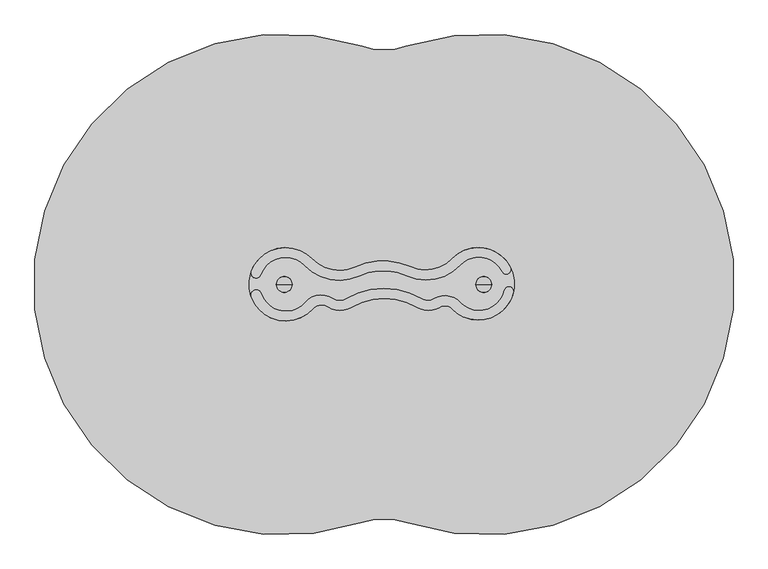
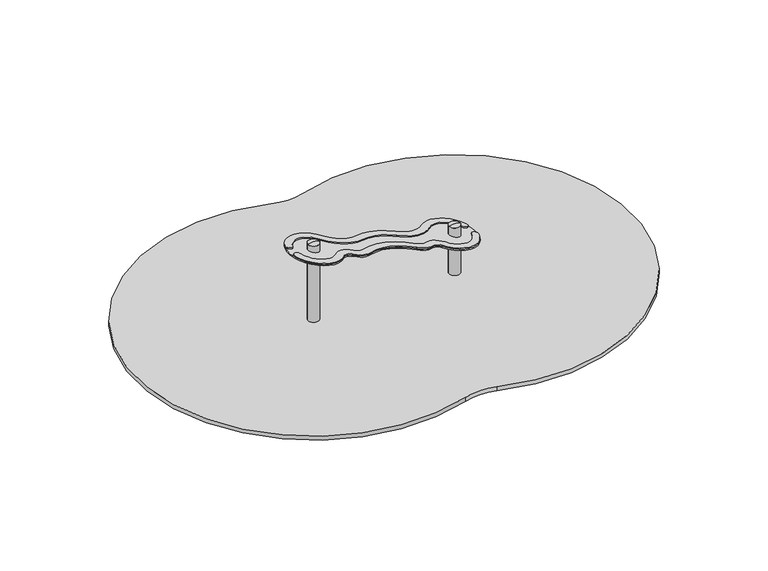
"""IFC4 building model written with IfcOpenShell, lengths in millimetres: furniture geometry."""

from ifc_helpers import new_model, si_unit, point, frame, frame_2d, origin, place, context, project, spatial, polyline, circle_curve, ellipse_curve, trimmed, segment, composite_curve, outline, extrude, source, transform, mapped, element, save
from ifc_brep_helpers import plane_surface, cylinder_surface, revolved_surface, extruded_surface, advanced_brep


def furniture_008db932(model_context):
    return source(origin(), model_context, "Body", "SolidModel", [
        extrude(outline(composite_curve([segment(trimmed(circle_curve(frame_2d((700.0, 0.0)), 55.0), [point((645.0, 0.0))], [point((755.0, 0.0))], False, "CARTESIAN"), True, "CONTINUOUS"), segment(trimmed(circle_curve(frame_2d((700.0, 0.0)), 55.0), [point((755.0, 0.0))], [point((645.0, 0.0))], False, "CARTESIAN"), True, "CONTINUOUS")], self_intersect=False)), frame((0.0, 0.0, -600.0), z_axis=(0.0, 0.0, 1.0), x_axis=(1.0, 0.0, 0.0)), (0.0, 0.0, 1.0), 500.0),
        advanced_brep(
        [(790.0, 150.0, -600.0), (850.0, 90.0, -600.0), (850.0, -90.0, -600.0), (790.0, -150.0, -600.0), (610.0, -150.0, -600.0), (550.0, -90.0, -600.0), (550.0, 90.0, -600.0), (610.0, 150.0, -600.0), (610.0, 150.0, -460.0), (790.0, 150.0, -460.0), (550.0, -90.0, -460.0), (550.0, 90.0, -460.0), (790.0, -150.0, -460.0), (610.0, -150.0, -460.0), (850.0, 90.0, -460.0), (850.0, -90.0, -460.0), (687.7040451, 72.6989403, -250.0), (627.7040451, 12.6989403, -250.0), (627.7040451, -12.6989403, -250.0), (687.7040451, -72.6989403, -250.0), (712.2959549, -72.6989403, -250.0), (772.2959549, -12.6989403, -250.0), (772.2959549, 12.6989403, -250.0), (712.2959549, 72.6989403, -250.0)],
        [
            (0, 1, circle_curve(frame((790.0, 90.0, -600.0), z_axis=(0.0, 0.0, -1.0), x_axis=(1.0, 0.0, 0.0)), 60.0)),
            (1, 2),
            (2, 3, circle_curve(frame((790.0, -90.0, -600.0), z_axis=(0.0, 0.0, -1.0), x_axis=(1.0, 0.0, 0.0)), 60.0)),
            (3, 4),
            (4, 5, circle_curve(frame((610.0, -90.0, -600.0), z_axis=(0.0, 0.0, -1.0), x_axis=(1.0, 0.0, 0.0)), 60.0)),
            (5, 6),
            (6, 7, circle_curve(frame((610.0, 90.0, -600.0), z_axis=(0.0, 0.0, -1.0), x_axis=(1.0, 0.0, 0.0)), 60.0)),
            (7, 0),
            (7, 8),
            (8, 9),
            (9, 0),
            (5, 10),
            (10, 11),
            (11, 6),
            (3, 12),
            (12, 13),
            (13, 4),
            (1, 14),
            (14, 15),
            (15, 2),
            (16, 17, circle_curve(frame((687.7040451, 12.6989403, -250.0), z_axis=(0.0, 0.0, 1.0), x_axis=(1.0, 0.0, 0.0)), 60.0)),
            (17, 18),
            (18, 19, circle_curve(frame((687.7040451, -12.6989403, -250.0), z_axis=(0.0, 0.0, 1.0), x_axis=(1.0, 0.0, 0.0)), 60.0)),
            (19, 20),
            (20, 21, circle_curve(frame((712.2959549, -12.6989403, -250.0), z_axis=(0.0, 0.0, 1.0), x_axis=(1.0, 0.0, 0.0)), 60.0)),
            (21, 22),
            (22, 23, circle_curve(frame((712.2959549, 12.6989403, -250.0), z_axis=(0.0, 0.0, 1.0), x_axis=(1.0, 0.0, 0.0)), 60.0)),
            (23, 16),
            (17, 11),
            (10, 18),
            (19, 13),
            (12, 20),
            (21, 15),
            (14, 22),
            (23, 9),
            (8, 16),
            (11, 8, circle_curve(frame((610.0, 90.0, -460.0), z_axis=(0.0, 0.0, -1.0), x_axis=(1.0, 0.0, 0.0)), 60.0)),
            (13, 10, circle_curve(frame((610.0, -90.0, -460.0), z_axis=(0.0, 0.0, -1.0), x_axis=(1.0, 0.0, 0.0)), 60.0)),
            (15, 12, circle_curve(frame((790.0, -90.0, -460.0), z_axis=(0.0, 0.0, -1.0), x_axis=(1.0, 0.0, 0.0)), 60.0)),
            (9, 14, circle_curve(frame((790.0, 90.0, -460.0), z_axis=(0.0, 0.0, -1.0), x_axis=(1.0, 0.0, 0.0)), 60.0)),
        ],
        [
            plane_surface(frame((523.3670318, 150.0, -600.0), z_axis=(0.0, 0.0, -1.0), x_axis=(1.0, 0.0, 0.0))),
            plane_surface(frame((790.0, 150.0, -460.0), z_axis=(0.0, 1.0, 0.0), x_axis=(0.0, 0.0, -1.0))),
            plane_surface(frame((550.0, 90.0, -460.0), z_axis=(-1.0, 0.0, 0.0), x_axis=(0.0, 0.0, -1.0))),
            plane_surface(frame((610.0, -150.0, -460.0), z_axis=(0.0, -1.0, 0.0), x_axis=(0.0, 0.0, -1.0))),
            plane_surface(frame((850.0, -90.0, -460.0), z_axis=(1.0, 0.0, 0.0), x_axis=(0.0, 0.0, -1.0))),
            plane_surface(frame((700.0, 0.0, -250.0), z_axis=(0.0, 0.0, 1.0), x_axis=(-1.0, 0.0, 0.0))),
            plane_surface(frame((550.0, 0.0, -460.0), z_axis=(-0.9378559633153523, 0.0, 0.3470247715564883), x_axis=(0.0, -1.0, 0.0))),
            plane_surface(frame((700.0, -150.0, -460.0), z_axis=(0.0, -0.9384407279810882, 0.3454402988452927), x_axis=(1.0, 0.0, 0.0))),
            plane_surface(frame((850.0, 0.0, -460.0), z_axis=(0.9378559633153524, 0.0, 0.34702477155648764), x_axis=(0.0, 1.0, 0.0))),
            plane_surface(frame((700.0, 150.0, -460.0), z_axis=(0.0, 0.9384407279810884, 0.3454402988452924), x_axis=(-1.0, 0.0, 0.0))),
            cylinder_surface(frame((610.0, 90.0, -600.0), z_axis=(0.0, 0.0, 1.0), x_axis=(1.0, 0.0, 0.0)), 60.0),
            cylinder_surface(frame((610.0, -90.0, -600.0), z_axis=(0.0, 0.0, 1.0), x_axis=(1.0, 0.0, 0.0)), 60.0),
            cylinder_surface(frame((790.0, -90.0, -600.0), z_axis=(0.0, 0.0, 1.0), x_axis=(1.0, 0.0, 0.0)), 60.0),
            cylinder_surface(frame((790.0, 90.0, -600.0), z_axis=(0.0, 0.0, 1.0), x_axis=(1.0, 0.0, 0.0)), 60.0),
            extruded_surface(trimmed(circle_curve(frame((610.0, 90.0, -460.0), z_axis=(0.0, 0.0, 1.0), x_axis=(1.0, 0.0, 0.0)), 60.0), [point((610.0, 150.0, -460.0))], [point((550.0, 90.0, -460.0))], True, "CARTESIAN"), (77.70404510000003, -77.3010597, 210.0), 236.88261324049472),
            extruded_surface(trimmed(circle_curve(frame((790.0, 90.0, -460.0), z_axis=(0.0, 0.0, 1.0), x_axis=(1.0, 0.0, 0.0)), 60.0), [point((850.0, 90.0, -460.0))], [point((790.0, 150.0, -460.0))], True, "CARTESIAN"), (-77.70404510000003, -77.3010597, 210.0), 236.88261324049472),
            extruded_surface(trimmed(circle_curve(frame((610.0, -90.0, -460.0), z_axis=(0.0, 0.0, 1.0), x_axis=(1.0, 0.0, 0.0)), 60.0), [point((550.0, -90.0, -460.0))], [point((610.0, -150.0, -460.0))], True, "CARTESIAN"), (77.70404510000003, 77.3010597, 210.0), 236.88261324049472),
            extruded_surface(trimmed(circle_curve(frame((790.0, -90.0, -460.0), z_axis=(0.0, 0.0, 1.0), x_axis=(1.0, 0.0, 0.0)), 60.0), [point((790.0, -150.0, -460.0))], [point((850.0, -90.0, -460.0))], True, "CARTESIAN"), (-77.70404510000003, 77.3010597, 210.0), 236.88261324049472),
        ],
        [
            (0, [[1, 2, 3, 4, 5, 6, 7, 8]]),
            (1, [[-8, 9, 10, 11]]),
            (2, [[-6, 12, 13, 14]]),
            (3, [[-4, 15, 16, 17]]),
            (4, [[-2, 18, 19, 20]]),
            (5, [[21, 22, 23, 24, 25, 26, 27, 28]]),
            (6, [[-22, 29, -13, 30]]),
            (7, [[-24, 31, -16, 32]]),
            (8, [[-26, 33, -19, 34]]),
            (9, [[-28, 35, -10, 36]]),
            (10, [[-7, -14, 37, -9]]),
            (11, [[-5, -17, 38, -12]]),
            (12, [[-3, -20, 39, -15]]),
            (13, [[-1, -11, 40, -18]]),
            (14, [[-21, -36, -37, -29]]),
            (15, [[-27, -34, -40, -35]]),
            (16, [[-23, -30, -38, -31]]),
            (17, [[-25, -32, -39, -33]]),
        ],
    ),
        extrude(outline(composite_curve([segment(trimmed(circle_curve(frame_2d((-700.0, 0.0)), 55.0), [point((-755.0, 0.0))], [point((-645.0, 0.0))], False, "CARTESIAN"), True, "CONTINUOUS"), segment(trimmed(circle_curve(frame_2d((-700.0, 0.0)), 55.0), [point((-645.0, 0.0))], [point((-755.0, 0.0))], False, "CARTESIAN"), True, "CONTINUOUS")], self_intersect=False)), frame((0.0, 0.0, -600.0), z_axis=(0.0, 0.0, 1.0), x_axis=(1.0, 0.0, 0.0)), (0.0, 0.0, 1.0), 500.0),
        advanced_brep(
        [(-610.0, 150.0, -600.0), (-550.0, 90.0, -600.0), (-550.0, -90.0, -600.0), (-610.0, -150.0, -600.0), (-790.0, -150.0, -600.0), (-850.0, -90.0, -600.0), (-850.0, 90.0, -600.0), (-790.0, 150.0, -600.0), (-790.0, 150.0, -460.0), (-610.0, 150.0, -460.0), (-850.0, -90.0, -460.0), (-850.0, 90.0, -460.0), (-610.0, -150.0, -460.0), (-790.0, -150.0, -460.0), (-550.0, 90.0, -460.0), (-550.0, -90.0, -460.0), (-712.2959549, 72.6989403, -250.0), (-772.2959549, 12.6989403, -250.0), (-772.2959549, -12.6989403, -250.0), (-712.2959549, -72.6989403, -250.0), (-687.7040451, -72.6989403, -250.0), (-627.7040451, -12.6989403, -250.0), (-627.7040451, 12.6989403, -250.0), (-687.7040451, 72.6989403, -250.0)],
        [
            (0, 1, circle_curve(frame((-610.0, 90.0, -600.0), z_axis=(0.0, 0.0, -1.0), x_axis=(1.0, 0.0, 0.0)), 60.0)),
            (1, 2),
            (2, 3, circle_curve(frame((-610.0, -90.0, -600.0), z_axis=(0.0, 0.0, -1.0), x_axis=(1.0, 0.0, 0.0)), 60.0)),
            (3, 4),
            (4, 5, circle_curve(frame((-790.0, -90.0, -600.0), z_axis=(0.0, 0.0, -1.0), x_axis=(1.0, 0.0, 0.0)), 60.0)),
            (5, 6),
            (6, 7, circle_curve(frame((-790.0, 90.0, -600.0), z_axis=(0.0, 0.0, -1.0), x_axis=(1.0, 0.0, 0.0)), 60.0)),
            (7, 0),
            (7, 8),
            (8, 9),
            (9, 0),
            (5, 10),
            (10, 11),
            (11, 6),
            (3, 12),
            (12, 13),
            (13, 4),
            (1, 14),
            (14, 15),
            (15, 2),
            (16, 17, circle_curve(frame((-712.2959549, 12.6989403, -250.0), z_axis=(0.0, 0.0, 1.0), x_axis=(1.0, 0.0, 0.0)), 60.0)),
            (17, 18),
            (18, 19, circle_curve(frame((-712.2959549, -12.6989403, -250.0), z_axis=(0.0, 0.0, 1.0), x_axis=(1.0, 0.0, 0.0)), 60.0)),
            (19, 20),
            (20, 21, circle_curve(frame((-687.7040451, -12.6989403, -250.0), z_axis=(0.0, 0.0, 1.0), x_axis=(1.0, 0.0, 0.0)), 60.0)),
            (21, 22),
            (22, 23, circle_curve(frame((-687.7040451, 12.6989403, -250.0), z_axis=(0.0, 0.0, 1.0), x_axis=(1.0, 0.0, 0.0)), 60.0)),
            (23, 16),
            (17, 11),
            (10, 18),
            (19, 13),
            (12, 20),
            (21, 15),
            (14, 22),
            (23, 9),
            (8, 16),
            (11, 8, circle_curve(frame((-790.0, 90.0, -460.0), z_axis=(0.0, 0.0, -1.0), x_axis=(1.0, 0.0, 0.0)), 60.0)),
            (13, 10, circle_curve(frame((-790.0, -90.0, -460.0), z_axis=(0.0, 0.0, -1.0), x_axis=(1.0, 0.0, 0.0)), 60.0)),
            (15, 12, circle_curve(frame((-610.0, -90.0, -460.0), z_axis=(0.0, 0.0, -1.0), x_axis=(1.0, 0.0, 0.0)), 60.0)),
            (9, 14, circle_curve(frame((-610.0, 90.0, -460.0), z_axis=(0.0, 0.0, -1.0), x_axis=(1.0, 0.0, 0.0)), 60.0)),
        ],
        [
            plane_surface(frame((-876.6329682, 150.0, -600.0), z_axis=(0.0, 0.0, -1.0), x_axis=(1.0, 0.0, 0.0))),
            plane_surface(frame((-610.0, 150.0, -460.0), z_axis=(0.0, 1.0, 0.0), x_axis=(0.0, 0.0, -1.0))),
            plane_surface(frame((-850.0, 90.0, -460.0), z_axis=(-1.0, 0.0, 0.0), x_axis=(0.0, 0.0, -1.0))),
            plane_surface(frame((-790.0, -150.0, -460.0), z_axis=(0.0, -1.0, 0.0), x_axis=(0.0, 0.0, -1.0))),
            plane_surface(frame((-550.0, -90.0, -460.0), z_axis=(1.0, 0.0, 0.0), x_axis=(0.0, 0.0, -1.0))),
            plane_surface(frame((-700.0, 0.0, -250.0), z_axis=(0.0, 0.0, 1.0), x_axis=(-1.0, 0.0, 0.0))),
            plane_surface(frame((-850.0, 0.0, -460.0), z_axis=(-0.9378559633153523, 0.0, 0.3470247715564883), x_axis=(0.0, -1.0, 0.0))),
            plane_surface(frame((-700.0, -150.0, -460.0), z_axis=(0.0, -0.9384407279810882, 0.3454402988452927), x_axis=(1.0, 0.0, 0.0))),
            plane_surface(frame((-550.0, 0.0, -460.0), z_axis=(0.9378559633153524, 0.0, 0.34702477155648764), x_axis=(0.0, 1.0, 0.0))),
            plane_surface(frame((-700.0, 150.0, -460.0), z_axis=(0.0, 0.9384407279810884, 0.3454402988452924), x_axis=(-1.0, 0.0, 0.0))),
            cylinder_surface(frame((-790.0, 90.0, -600.0), z_axis=(0.0, 0.0, 1.0), x_axis=(1.0, 0.0, 0.0)), 60.0),
            cylinder_surface(frame((-790.0, -90.0, -600.0), z_axis=(0.0, 0.0, 1.0), x_axis=(1.0, 0.0, 0.0)), 60.0),
            cylinder_surface(frame((-610.0, -90.0, -600.0), z_axis=(0.0, 0.0, 1.0), x_axis=(1.0, 0.0, 0.0)), 60.0),
            cylinder_surface(frame((-610.0, 90.0, -600.0), z_axis=(0.0, 0.0, 1.0), x_axis=(1.0, 0.0, 0.0)), 60.0),
            extruded_surface(trimmed(circle_curve(frame((-790.0, 90.0, -460.0), z_axis=(0.0, 0.0, 1.0), x_axis=(1.0, 0.0, 0.0)), 60.0), [point((-790.0, 150.0, -460.0))], [point((-850.0, 90.0, -460.0))], True, "CARTESIAN"), (77.70404510000003, -77.3010597, 210.0), 236.88261324049472),
            extruded_surface(trimmed(circle_curve(frame((-610.0, 90.0, -460.0), z_axis=(0.0, 0.0, 1.0), x_axis=(1.0, 0.0, 0.0)), 60.0), [point((-550.0, 90.0, -460.0))], [point((-610.0, 150.0, -460.0))], True, "CARTESIAN"), (-77.70404510000003, -77.3010597, 210.0), 236.88261324049472),
            extruded_surface(trimmed(circle_curve(frame((-790.0, -90.0, -460.0), z_axis=(0.0, 0.0, 1.0), x_axis=(1.0, 0.0, 0.0)), 60.0), [point((-850.0, -90.0, -460.0))], [point((-790.0, -150.0, -460.0))], True, "CARTESIAN"), (77.70404510000003, 77.3010597, 210.0), 236.88261324049472),
            extruded_surface(trimmed(circle_curve(frame((-610.0, -90.0, -460.0), z_axis=(0.0, 0.0, 1.0), x_axis=(1.0, 0.0, 0.0)), 60.0), [point((-610.0, -150.0, -460.0))], [point((-550.0, -90.0, -460.0))], True, "CARTESIAN"), (-77.70404510000003, 77.3010597, 210.0), 236.88261324049472),
        ],
        [
            (0, [[1, 2, 3, 4, 5, 6, 7, 8]]),
            (1, [[-8, 9, 10, 11]]),
            (2, [[-6, 12, 13, 14]]),
            (3, [[-4, 15, 16, 17]]),
            (4, [[-2, 18, 19, 20]]),
            (5, [[21, 22, 23, 24, 25, 26, 27, 28]]),
            (6, [[-22, 29, -13, 30]]),
            (7, [[-24, 31, -16, 32]]),
            (8, [[-26, 33, -19, 34]]),
            (9, [[-28, 35, -10, 36]]),
            (10, [[-7, -14, 37, -9]]),
            (11, [[-5, -17, 38, -12]]),
            (12, [[-3, -20, 39, -15]]),
            (13, [[-1, -11, 40, -18]]),
            (14, [[-21, -36, -37, -29]]),
            (15, [[-27, -34, -40, -35]]),
            (16, [[-23, -30, -38, -31]]),
            (17, [[-25, -32, -39, -33]]),
        ],
    ),
        advanced_brep(
        [(-645.0, 0.0, 800.0), (-755.0, 0.0, 800.0), (-700.0, 0.0, 812.0246565), (-700.0, 0.0, 800.0)],
        [
            (0, 1, circle_curve(frame((-700.0, 0.0, 800.0), z_axis=(0.0, 0.0, 1.0), x_axis=(-1.0, 0.0, 0.0)), 55.0)),
            (1, 2, circle_curve(frame((-704.5450144, 0.0, 701.0177111), z_axis=(0.0, 1.0, 0.0), x_axis=(-1.0, 0.0, 0.0)), 111.0999509)),
            (2, 0, circle_curve(frame((-695.4549856, 0.0, 701.0177111), z_axis=(0.0, 1.0, 0.0), x_axis=(1.0, 0.0, 0.0)), 111.0999509)),
            (1, 0, circle_curve(frame((-700.0, 0.0, 800.0), z_axis=(0.0, 0.0, 1.0), x_axis=(-1.0, 0.0, 0.0)), 55.0)),
            (3, 1),
            (0, 3),
        ],
        [
            revolved_surface(trimmed(ellipse_curve(frame((-704.5450144, 0.0, 701.0177111), z_axis=(0.0, -1.0, 0.0), x_axis=(-1.0, 0.0, 0.0)), 111.0999509, 111.0999509), [point((-700.0, 0.0, 812.0246565))], [point((-755.0, 0.0, 800.0))], True, "CARTESIAN"), (-700.0, 0.0, 419.0), (0.0, 0.0, -1.0)),
            plane_surface(frame((-700.0, 0.0, 800.0), z_axis=(0.0, 0.0, -1.0), x_axis=(-1.0, 0.0, 0.0))),
        ],
        [
            (0, [[1, 2, 3]]),
            (0, [[4, -3, -2]]),
            (1, [[5, -1, 6]]),
            (1, [[-6, -4, -5]]),
        ],
    ),
        advanced_brep(
        [(755.0, 0.0, 500.0), (645.0, 0.0, 500.0), (700.0, 0.0, 512.0246565), (700.0, 0.0, 500.0)],
        [
            (0, 1, circle_curve(frame((700.0, 0.0, 500.0), z_axis=(0.0, 0.0, 1.0), x_axis=(-1.0, 0.0, 0.0)), 55.0)),
            (1, 2, circle_curve(frame((695.4549856, 0.0, 401.0177111), z_axis=(0.0, 1.0, 0.0), x_axis=(-1.0, 0.0, 0.0)), 111.0999509)),
            (2, 0, circle_curve(frame((704.5450144, 0.0, 401.0177111), z_axis=(0.0, 1.0, 0.0), x_axis=(1.0, 0.0, 0.0)), 111.0999509)),
            (1, 0, circle_curve(frame((700.0, 0.0, 500.0), z_axis=(0.0, 0.0, 1.0), x_axis=(-1.0, 0.0, 0.0)), 55.0)),
            (3, 1),
            (0, 3),
        ],
        [
            revolved_surface(trimmed(ellipse_curve(frame((695.4549856, 0.0, 401.0177111), z_axis=(0.0, -1.0, 0.0), x_axis=(-1.0, 0.0, 0.0)), 111.0999509, 111.0999509), [point((700.0, 0.0, 512.0246565))], [point((645.0, 0.0, 500.0))], True, "CARTESIAN"), (700.0, 0.0, 119.0), (0.0, 0.0, -1.0)),
            plane_surface(frame((700.0, 0.0, 500.0), z_axis=(0.0, 0.0, -1.0), x_axis=(-1.0, 0.0, 0.0))),
        ],
        [
            (0, [[1, 2, 3]]),
            (0, [[4, -3, -2]]),
            (1, [[5, -1, 6]]),
            (1, [[-6, -4, -5]]),
        ],
    ),
        extrude(outline(composite_curve([segment(trimmed(circle_curve(frame_2d((-700.0, 0.0)), 1760.0), [point((-153.6585366, -1673.054394))], [point((-153.6585366, 1673.054394))], False, "CARTESIAN"), True, "CONTINUOUS"), segment(trimmed(circle_curve(frame_2d((0.0, 2143.6009423)), 495.0), [point((-153.6585366, 1673.054394))], [point((153.6585366, 1673.054394))], True, "CARTESIAN"), True, "CONTINUOUS"), segment(trimmed(circle_curve(frame_2d((700.0, 0.0)), 1760.0), [point((153.6585366, 1673.054394))], [point((153.6585366, -1673.054394))], False, "CARTESIAN"), True, "CONTINUOUS"), segment(trimmed(circle_curve(frame_2d((0.0, -2143.6009423)), 495.0), [point((153.6585366, -1673.054394))], [point((-153.6585366, -1673.054394))], True, "CARTESIAN"), True, "CONTINUOUS")], self_intersect=False)), frame((0.0, 0.0, -40.0), z_axis=(0.0, 0.0, 1.0), x_axis=(1.0, 0.0, 0.0)), (0.0, 0.0, 1.0), 41.0),
        advanced_brep(
        [(-500.9138058, -172.2449326, 680.4556319), (-931.9915077, -88.7300791, 781.4864023), (-861.3528483, -64.0921722, 764.9309689), (-554.1030181, -126.187979, 692.9214752), (-359.7363195, -98.0879328, 647.3681627), (-261.8919327, -99.3801196, 624.4365804), (260.3005829, -99.2085707, 502.0514236), (353.6393405, -99.3670614, 480.1758161), (534.4058837, -125.1024508, 437.8099433), (844.6596731, -41.8053038, 365.096418), (908.4558251, -57.0262274, 350.1446486), (477.9320883, -171.1154275, 451.0455874), (390.3531326, -160.0431198, 471.5712822), (232.2661683, -161.8259589, 508.6217901), (-230.4242846, -161.5693292, 617.0615742), (-391.8812267, -158.1736699, 654.9018967), (-931.9915077, -88.7300791, 793.8115667), (-500.9138058, -172.2449326, 692.7807963), (-391.8812267, -158.1736699, 667.227061), (-230.4242846, -161.5693292, 629.3867386), (232.2661683, -161.8259589, 520.9469545), (390.3531326, -160.0431198, 483.8964466), (477.9320883, -171.1154275, 463.3707517), (908.4558251, -57.0262274, 362.4698129), (844.6596731, -41.8053038, 377.4215823), (534.4058837, -125.1024508, 450.1351076), (353.6393405, -99.3670614, 492.5009805), (260.3005829, -99.2085707, 514.3765879), (-261.8919327, -99.3801196, 636.7617448), (-359.7363195, -98.0879328, 659.693327), (-554.1030181, -126.187979, 705.2466396), (-861.3528483, -64.0921722, 777.2561333)],
        [
            (0, 1, ellipse_curve(frame((-690.9741721, 1.0245083, 724.9996785), z_axis=(-0.22818475864970214, 0.0, -0.9736178490146825), x_axis=(0.9736178490146825, 0.0, -0.22818475864970225)), 264.1561814, 257.1871731)),
            (1, 2, ellipse_curve(frame((-896.9296045, -75.6730654, 773.2690181), z_axis=(-0.22818475864970214, 0.0, -0.9736178490146825), x_axis=(0.9736178490146825, 0.0, -0.22818475864970225)), 38.4280178, 37.414204)),
            (2, 3, ellipse_curve(frame((-690.1928231, -8.3764134, 724.8165554), z_axis=(0.22818475864970214, 0.0, 0.9736178490146825), x_axis=(-0.9736178490146825, 0.0, 0.22818475864970225)), 184.8774652, 180.0)),
            (3, 4, ellipse_curve(frame((-440.6948473, -224.3642836, 666.3422418), z_axis=(-0.22818475864970214, 0.0, -0.9736178490146825), x_axis=(0.9736178490146825, 0.0, -0.22818475864970225)), 154.0645543, 150.0)),
            (4, 5, ellipse_curve(frame((-309.776464, -20.1622541, 635.6591769), z_axis=(0.22818475864970214, 0.0, 0.9736178490146825), x_axis=(-0.9736178490146825, 0.0, 0.22818475864970225)), 95.0738985, 92.5656446)),
            (5, 6, ellipse_curve(frame((-0.6536684, -531.5601391, 563.2107202), z_axis=(-0.22818475864970214, 0.0, -0.9736178490146825), x_axis=(0.9736178490146825, 0.0, -0.22818475864970225)), 518.6839996, 505.0)),
            (6, 7, ellipse_curve(frame((307.1017615, -21.667918, 491.0827302), z_axis=(0.22818475864970214, 0.0, 0.9736178490146825), x_axis=(-0.9736178490146825, 0.0, 0.22818475864970225)), 93.0240545, 90.5698799)),
            (7, 8, ellipse_curve(frame((428.1447827, -223.7613502, 462.714133), z_axis=(-0.22818475864970214, 0.0, -0.9736178490146825), x_axis=(0.9736178490146825, 0.0, -0.22818475864970225)), 148.9290692, 145.0)),
            (8, 9, ellipse_curve(frame((667.5303098, -1.5020998, 406.6098527), z_axis=(0.22818475864970214, 0.0, 0.9736178490146825), x_axis=(-0.9736178490146825, 0.0, 0.22818475864970225)), 186.5790651, 181.6567081)),
            (9, 10, ellipse_curve(frame((876.6375249, -49.0813978, 357.6018364), z_axis=(-0.22818475864970214, 0.0, -0.9736178490146825), x_axis=(0.9736178490146825, 0.0, -0.22818475864970225)), 33.6838432, 32.7951909)),
            (10, 11, ellipse_curve(frame((661.7529854, 4.5739213, 407.963872), z_axis=(-0.22818475864970214, 0.0, -0.9736178490146825), x_axis=(0.9736178490146825, 0.0, -0.22818475864970225)), 261.1673062, 254.2771509)),
            (11, 12, ellipse_curve(frame((427.3280024, -219.4809781, 462.9055601), z_axis=(0.22818475864970214, 0.0, 0.9736178490146825), x_axis=(-0.9736178490146825, 0.0, 0.22818475864970225)), 71.896792, 70.0)),
            (12, 13, ellipse_curve(frame((309.8399786, -30.6165807, 490.4409801), z_axis=(-0.22818475864970214, 0.0, -0.9736178490146825), x_axis=(0.9736178490146825, 0.0, -0.22818475864970225)), 156.5559935, 152.4257097)),
            (13, 14, ellipse_curve(frame((0.7036333, -553.4939208, 562.8926123), z_axis=(0.22818475864970214, 0.0, 0.9736178490146825), x_axis=(-0.9736178490146825, 0.0, 0.22818475864970225)), 467.3291481, 455.0)),
            (14, 15, ellipse_curve(frame((-308.4073555, -29.3331049, 635.3383018), z_axis=(-0.22818475864970214, 0.0, -0.9736178490146825), x_axis=(0.9736178490146825, 0.0, -0.22818475864970225)), 157.6778885, 153.5180066)),
            (15, 0, ellipse_curve(frame((-438.0991213, -229.5102398, 665.733887), z_axis=(0.22818475864970214, 0.0, 0.9736178490146825), x_axis=(-0.9736178490146825, 0.0, 0.22818475864970225)), 87.3032475, 85.0)),
            (16, 17, ellipse_curve(frame((-690.9741721, 1.0245083, 737.3248428), z_axis=(0.22818475864970214, 0.0, 0.9736178490146825), x_axis=(0.9736178490146825, 0.0, -0.22818475864970225)), 264.1561814, 257.1871731)),
            (17, 18, ellipse_curve(frame((-438.0991213, -229.5102398, 678.0590513), z_axis=(-0.22818475864970214, 0.0, -0.9736178490146825), x_axis=(-0.9736178490146825, 0.0, 0.22818475864970225)), 87.3032475, 85.0)),
            (18, 19, ellipse_curve(frame((-308.4073555, -29.3331049, 647.6634661), z_axis=(0.22818475864970214, 0.0, 0.9736178490146825), x_axis=(0.9736178490146825, 0.0, -0.22818475864970225)), 157.6778885, 153.5180066)),
            (19, 20, ellipse_curve(frame((0.7036333, -553.4939208, 575.2177766), z_axis=(-0.22818475864970214, 0.0, -0.9736178490146825), x_axis=(-0.9736178490146825, 0.0, 0.22818475864970225)), 467.3291481, 455.0)),
            (20, 21, ellipse_curve(frame((309.8399786, -30.6165807, 502.7661444), z_axis=(0.22818475864970214, 0.0, 0.9736178490146825), x_axis=(0.9736178490146825, 0.0, -0.22818475864970225)), 156.5559935, 152.4257097)),
            (21, 22, ellipse_curve(frame((427.3280024, -219.4809781, 475.2307244), z_axis=(-0.22818475864970214, 0.0, -0.9736178490146825), x_axis=(-0.9736178490146825, 0.0, 0.22818475864970225)), 71.896792, 70.0)),
            (22, 23, ellipse_curve(frame((661.7529854, 4.5739213, 420.2890364), z_axis=(0.22818475864970214, 0.0, 0.9736178490146825), x_axis=(0.9736178490146825, 0.0, -0.22818475864970225)), 261.1673062, 254.2771509)),
            (23, 24, ellipse_curve(frame((876.6375249, -49.0813978, 369.9270008), z_axis=(0.22818475864970214, 0.0, 0.9736178490146825), x_axis=(0.9736178490146825, 0.0, -0.22818475864970225)), 33.6838432, 32.7951909)),
            (24, 25, ellipse_curve(frame((667.5303098, -1.5020998, 418.9350171), z_axis=(-0.22818475864970214, 0.0, -0.9736178490146825), x_axis=(-0.9736178490146825, 0.0, 0.22818475864970225)), 186.5790651, 181.6567081)),
            (25, 26, ellipse_curve(frame((428.1447827, -223.7613502, 475.0392974), z_axis=(0.22818475864970214, 0.0, 0.9736178490146825), x_axis=(0.9736178490146825, 0.0, -0.22818475864970225)), 148.9290692, 145.0)),
            (26, 27, ellipse_curve(frame((307.1017615, -21.667918, 503.4078946), z_axis=(-0.22818475864970214, 0.0, -0.9736178490146825), x_axis=(-0.9736178490146825, 0.0, 0.22818475864970225)), 93.0240545, 90.5698799)),
            (27, 28, ellipse_curve(frame((-0.6536684, -531.5601391, 575.5358846), z_axis=(0.22818475864970214, 0.0, 0.9736178490146825), x_axis=(0.9736178490146825, 0.0, -0.22818475864970225)), 518.6839996, 505.0)),
            (28, 29, ellipse_curve(frame((-309.776464, -20.1622541, 647.9843412), z_axis=(-0.22818475864970214, 0.0, -0.9736178490146825), x_axis=(-0.9736178490146825, 0.0, 0.22818475864970225)), 95.0738985, 92.5656446)),
            (29, 30, ellipse_curve(frame((-440.6948473, -224.3642836, 678.6674062), z_axis=(0.22818475864970214, 0.0, 0.9736178490146825), x_axis=(0.9736178490146825, 0.0, -0.22818475864970225)), 154.0645543, 150.0)),
            (30, 31, ellipse_curve(frame((-690.1928231, -8.3764134, 737.1417197), z_axis=(-0.22818475864970214, 0.0, -0.9736178490146825), x_axis=(-0.9736178490146825, 0.0, 0.22818475864970225)), 184.8774652, 180.0)),
            (31, 16, ellipse_curve(frame((-896.9296045, -75.6730654, 785.5941825), z_axis=(0.22818475864970214, 0.0, 0.9736178490146825), x_axis=(0.9736178490146825, 0.0, -0.22818475864970225)), 38.4280178, 37.414204)),
            (0, 17),
            (16, 1),
            (10, 23),
            (22, 11),
            (21, 12),
            (20, 13),
            (19, 14),
            (18, 15),
            (31, 2),
            (30, 3),
            (29, 4),
            (28, 5),
            (27, 6),
            (26, 7),
            (25, 8),
            (24, 9),
        ],
        [
            plane_surface(frame((989.5512587, 283.8109244, 331.1384831), z_axis=(-0.22818475864970214, 0.0, -0.9736178490146825), x_axis=(0.0, -1.0, 0.0))),
            plane_surface(frame((992.2894758, 283.8109244, 342.8218973), z_axis=(0.22818475864970214, 0.0, 0.9736178490146825), x_axis=(0.0, 1.0, 0.0))),
            cylinder_surface(frame((-690.9741721, 1.0245083, 230.4947207), z_axis=(0.0, 0.0, -1.0), x_axis=(1.0, 0.0, 0.0)), 257.1871731),
            cylinder_surface(frame((661.7529854, 4.5739213, 230.4947207), z_axis=(0.0, 0.0, -1.0), x_axis=(1.0, 0.0, 0.0)), 254.2771509),
            revolved_surface(polyline([(497.3280024, -219.4809781, 491.6364765302078), (497.3280024, -219.4809781, 446.4998079697922)]), (427.3280024, -219.4809781, 230.4947207), (0.0, 0.0, 1.0)),
            cylinder_surface(frame((309.8399786, -30.6165807, 230.4947207), z_axis=(0.0, 0.0, -1.0), x_axis=(1.0, 0.0, 0.0)), 152.4257097),
            revolved_surface(polyline([(455.7036333, -553.4939208, 681.8551654691694), (455.7036333, -553.4939208, 456.2552234308305)]), (0.7036333, -553.4939208, 230.4947207), (0.0, 0.0, 1.0)),
            cylinder_surface(frame((-308.4073555, -29.3331049, 230.4947207), z_axis=(0.0, 0.0, -1.0), x_axis=(1.0, 0.0, 0.0)), 153.5180066),
            revolved_surface(polyline([(-353.0991213, -229.5102398, 697.9803217601227), (-353.0991213, -229.5102398, 645.8126165398772)]), (-438.0991213, -229.5102398, 230.4947207), (0.0, 0.0, 1.0)),
            cylinder_surface(frame((-896.9296045, -75.6730654, 230.4947207), z_axis=(0.0, 0.0, -1.0), x_axis=(1.0, 0.0, 0.0)), 37.414204),
            revolved_surface(polyline([(-510.19282310000006, -8.3764134, 779.3279394764306), (-510.19282310000006, -8.3764134, 682.6303356235692)]), (-690.1928231, -8.3764134, 230.4947207), (0.0, 0.0, 1.0)),
            cylinder_surface(frame((-440.6948473, -224.3642836, 230.4947207), z_axis=(0.0, 0.0, -1.0), x_axis=(1.0, 0.0, 0.0)), 150.0),
            revolved_surface(polyline([(-217.2108194, -20.1622541, 669.6787557831087), (-217.2108194, -20.1622541, 613.9647623168912)]), (-309.776464, -20.1622541, 230.4947207), (0.0, 0.0, 1.0)),
            cylinder_surface(frame((-0.6536684, -531.5601391, 230.4947207), z_axis=(0.0, 0.0, -1.0), x_axis=(1.0, 0.0, 0.0)), 505.0),
            revolved_surface(polyline([(397.6716414, -21.667918, 524.6345660246993), (397.6716414, -21.667918, 469.85605877530077)]), (307.1017615, -21.667918, 230.4947207), (0.0, 0.0, 1.0)),
            cylinder_surface(frame((428.1447827, -223.7613502, 230.4947207), z_axis=(0.0, 0.0, -1.0), x_axis=(1.0, 0.0, 0.0)), 145.0),
            revolved_surface(polyline([(849.1870179, -1.5020998, 461.50951603893054), (849.1870179, -1.5020998, 364.03535376106936)]), (667.5303098, -1.5020998, 230.4947207), (0.0, 0.0, 1.0)),
            cylinder_surface(frame((876.6375249, -49.0813978, 230.4947207), z_axis=(0.0, 0.0, -1.0), x_axis=(1.0, 0.0, 0.0)), 32.7951909),
        ],
        [
            (0, [[1, 2, 3, 4, 5, 6, 7, 8, 9, 10, 11, 12, 13, 14, 15, 16]]),
            (1, [[17, 18, 19, 20, 21, 22, 23, 24, 25, 26, 27, 28, 29, 30, 31, 32]]),
            (2, [[33, -17, 34, -1]]),
            (3, [[35, -23, 36, -11]]),
            (4, [[-36, -22, 37, -12]]),
            (5, [[-37, -21, 38, -13]]),
            (6, [[-38, -20, 39, -14]]),
            (7, [[-39, -19, 40, -15]]),
            (8, [[-33, -16, -40, -18]]),
            (9, [[-34, -32, 41, -2]]),
            (10, [[-41, -31, 42, -3]]),
            (11, [[-42, -30, 43, -4]]),
            (12, [[-43, -29, 44, -5]]),
            (13, [[-44, -28, 45, -6]]),
            (14, [[-45, -27, 46, -7]]),
            (15, [[-46, -26, 47, -8]]),
            (16, [[-47, -25, 48, -9]]),
            (17, [[-35, -10, -48, -24]]),
        ],
    ),
        advanced_brep(
        [(-931.1523414, 93.001076, 781.2897287), (-507.0619034, 180.8063746, 681.8965486), (-202.1147801, 123.8121469, 610.4267354), (183.889458, 125.8912925, 519.9597375), (480.246448, 182.6532474, 450.5031758), (887.395989, 121.8006434, 355.0803979), (828.905089, 91.6544542, 368.7887866), (532.5109108, 133.9125776, 438.254064), (162.1170089, 60.7049953, 525.0625004), (-174.3971822, 59.8565869, 603.9306205), (-556.2375569, 133.04887, 693.4217426), (-865.3707908, 68.4005365, 765.8726456), (-507.0619034, 180.8063746, 694.2217129), (-931.1523414, 93.001076, 793.614893), (-865.3707908, 68.4005365, 778.19781), (-556.2375569, 133.04887, 705.746907), (-174.3971822, 59.8565869, 616.2557849), (162.1170089, 60.7049953, 537.3876648), (532.5109108, 133.9125776, 450.5792284), (828.905089, 91.6544542, 381.1139509), (887.395989, 121.8006434, 367.4055622), (480.246448, 182.6532474, 462.8283401), (183.889458, 125.8912925, 532.2849019), (-202.1147801, 123.8121469, 622.7518998)],
        [
            (0, 1, ellipse_curve(frame((-690.9741721, 1.0245083, 724.9996785), z_axis=(-0.22818475864970214, 0.0, -0.9736178490146825), x_axis=(0.9736178490146825, 0.0, -0.22818475864970225)), 264.1561814, 257.1871731)),
            (1, 2, ellipse_curve(frame((-313.9872957, 369.544807, 636.6460606), z_axis=(0.22818475864970214, 0.0, 0.9736178490146825), x_axis=(-0.9736178490146825, 0.0, 0.22818475864970225)), 277.3161978, 270.0)),
            (2, 3, ellipse_curve(frame((-6.7961895, -305.2133076, 564.6503299), z_axis=(-0.22818475864970214, 0.0, -0.9736178490146825), x_axis=(0.9736178490146825, 0.0, -0.22818475864970225)), 484.1672561, 471.3938824)),
            (3, 4, ellipse_curve(frame((291.0857931, 368.2421657, 494.8363589), z_axis=(0.22818475864970214, 0.0, 0.9736178490146825), x_axis=(-0.9736178490146825, 0.0, 0.22818475864970225)), 272.1807127, 265.0)),
            (4, 5, ellipse_curve(frame((661.7529854, 4.5739213, 407.963872), z_axis=(-0.22818475864970214, 0.0, -0.9736178490146825), x_axis=(0.9736178490146825, 0.0, -0.22818475864970225)), 261.1673062, 254.2771509)),
            (5, 6, ellipse_curve(frame((858.1995633, 106.6324298, 361.9231025), z_axis=(-0.22818475864970214, 0.0, -0.9736178490146825), x_axis=(0.9736178490146825, 0.0, -0.22818475864970225)), 33.7929904, 32.9014586)),
            (6, 7, ellipse_curve(frame((665.8061685, 8.2635862, 407.0139361), z_axis=(0.22818475864970214, 0.0, 0.9736178490146825), x_axis=(-0.9736178490146825, 0.0, 0.22818475864970225)), 188.1447057, 183.1810436)),
            (7, 8, ellipse_curve(frame((296.0183247, 356.83915, 493.6803319), z_axis=(-0.22818475864970214, 0.0, -0.9736178490146825), x_axis=(0.9736178490146825, 0.0, -0.22818475864970225)), 333.8065344, 325.0)),
            (8, 9, ellipse_curve(frame((-5.2081885, -309.3489178, 564.2781535), z_axis=(0.22818475864970214, 0.0, 0.9736178490146825), x_axis=(-0.9736178490146825, 0.0, 0.22818475864970225)), 417.1299132, 406.1251289)),
            (9, 10, ellipse_curve(frame((-313.9559261, 364.4027361, 636.6387086), z_axis=(-0.22818475864970214, 0.0, -0.9736178490146825), x_axis=(0.9736178490146825, 0.0, -0.22818475864970225)), 344.0775047, 335.0)),
            (10, 11, ellipse_curve(frame((-690.7104457, 4.6411877, 724.9378695), z_axis=(0.22818475864970214, 0.0, 0.9736178490146825), x_axis=(-0.9736178490146825, 0.0, 0.22818475864970225)), 190.9723649, 185.9341031)),
            (11, 0, ellipse_curve(frame((-898.3581656, 80.4425002, 773.603827), z_axis=(-0.22818475864970214, 0.0, -0.9736178490146825), x_axis=(0.9736178490146825, 0.0, -0.22818475864970225)), 36.0681584, 35.1166028)),
            (12, 13, ellipse_curve(frame((-690.9741721, 1.0245083, 737.3248428), z_axis=(0.22818475864970214, 0.0, 0.9736178490146825), x_axis=(0.9736178490146825, 0.0, -0.22818475864970225)), 264.1561814, 257.1871731)),
            (13, 14, ellipse_curve(frame((-898.3581656, 80.4425002, 785.9289913), z_axis=(0.22818475864970214, 0.0, 0.9736178490146825), x_axis=(0.9736178490146825, 0.0, -0.22818475864970225)), 36.0681584, 35.1166028)),
            (14, 15, ellipse_curve(frame((-690.7104457, 4.6411877, 737.2630338), z_axis=(-0.22818475864970214, 0.0, -0.9736178490146825), x_axis=(-0.9736178490146825, 0.0, 0.22818475864970225)), 190.9723649, 185.9341031)),
            (15, 16, ellipse_curve(frame((-313.9559261, 364.4027361, 648.9638729), z_axis=(0.22818475864970214, 0.0, 0.9736178490146825), x_axis=(0.9736178490146825, 0.0, -0.22818475864970225)), 344.0775047, 335.0)),
            (16, 17, ellipse_curve(frame((-5.2081885, -309.3489178, 576.6033178), z_axis=(-0.22818475864970214, 0.0, -0.9736178490146825), x_axis=(-0.9736178490146825, 0.0, 0.22818475864970225)), 417.1299132, 406.1251289)),
            (17, 18, ellipse_curve(frame((296.0183247, 356.83915, 506.0054962), z_axis=(0.22818475864970214, 0.0, 0.9736178490146825), x_axis=(0.9736178490146825, 0.0, -0.22818475864970225)), 333.8065344, 325.0)),
            (18, 19, ellipse_curve(frame((665.8061685, 8.2635862, 419.3391004), z_axis=(-0.22818475864970214, 0.0, -0.9736178490146825), x_axis=(-0.9736178490146825, 0.0, 0.22818475864970225)), 188.1447057, 183.1810436)),
            (19, 20, ellipse_curve(frame((858.1995633, 106.6324298, 374.2482669), z_axis=(0.22818475864970214, 0.0, 0.9736178490146825), x_axis=(0.9736178490146825, 0.0, -0.22818475864970225)), 33.7929904, 32.9014586)),
            (20, 21, ellipse_curve(frame((661.7529854, 4.5739213, 420.2890364), z_axis=(0.22818475864970214, 0.0, 0.9736178490146825), x_axis=(0.9736178490146825, 0.0, -0.22818475864970225)), 261.1673062, 254.2771509)),
            (21, 22, ellipse_curve(frame((291.0857931, 368.2421657, 507.1615233), z_axis=(-0.22818475864970214, 0.0, -0.9736178490146825), x_axis=(-0.9736178490146825, 0.0, 0.22818475864970225)), 272.1807127, 265.0)),
            (22, 23, ellipse_curve(frame((-6.7961895, -305.2133076, 576.9754943), z_axis=(0.22818475864970214, 0.0, 0.9736178490146825), x_axis=(0.9736178490146825, 0.0, -0.22818475864970225)), 484.1672561, 471.3938824)),
            (23, 12, ellipse_curve(frame((-313.9872957, 369.544807, 648.9712249), z_axis=(-0.22818475864970214, 0.0, -0.9736178490146825), x_axis=(-0.9736178490146825, 0.0, 0.22818475864970225)), 277.3161978, 270.0)),
            (0, 13),
            (12, 1),
            (23, 2),
            (22, 3),
            (21, 4),
            (20, 5),
            (19, 6),
            (18, 7),
            (17, 8),
            (16, 9),
            (15, 10),
            (14, 11),
        ],
        [
            plane_surface(frame((989.5512587, 283.8109244, 331.1384831), z_axis=(-0.22818475864970214, 0.0, -0.9736178490146825), x_axis=(0.0, -1.0, 0.0))),
            plane_surface(frame((992.2894758, 283.8109244, 342.8218973), z_axis=(0.22818475864970214, 0.0, 0.9736178490146825), x_axis=(0.0, 1.0, 0.0))),
            cylinder_surface(frame((-690.9741721, 1.0245083, 230.4947207), z_axis=(0.0, 0.0, -1.0), x_axis=(1.0, 0.0, 0.0)), 257.1871731),
            revolved_surface(polyline([(-43.987295700000004, 369.544807, 712.2505545646461), (-43.987295700000004, 369.544807, 573.366730935354)]), (-313.9872957, 369.544807, 230.4947207), (0.0, 0.0, 1.0)),
            cylinder_surface(frame((-6.7961895, -305.2133076, 230.4947207), z_axis=(0.0, 0.0, -1.0), x_axis=(1.0, 0.0, 0.0)), 471.3938824),
            revolved_surface(polyline([(556.0857931, 368.2421657, 569.2690135365534), (556.0857931, 368.2421657, 432.7288686634466)]), (291.0857931, 368.2421657, 230.4947207), (0.0, 0.0, 1.0)),
            cylinder_surface(frame((661.7529854, 4.5739213, 230.4947207), z_axis=(0.0, 0.0, -1.0), x_axis=(1.0, 0.0, 0.0)), 254.2771509),
            cylinder_surface(frame((858.1995633, 106.6324298, 230.4947207), z_axis=(0.0, 0.0, -1.0), x_axis=(1.0, 0.0, 0.0)), 32.9014586),
            revolved_surface(polyline([(848.9872121000001, 8.2635862, 462.27085466137373), (848.9872121000001, 8.2635862, 364.0821818386263)]), (665.8061685, 8.2635862, 230.4947207), (0.0, 0.0, 1.0)),
            cylinder_surface(frame((296.0183247, 356.83915, 230.4947207), z_axis=(0.0, 0.0, -1.0), x_axis=(1.0, 0.0, 0.0)), 325.0),
            revolved_surface(polyline([(400.9169404, -309.3489178, 671.7860063691132), (400.9169404, -309.3489178, 469.0954649308868)]), (-5.2081885, -309.3489178, 230.4947207), (0.0, 0.0, 1.0)),
            cylinder_surface(frame((-313.9559261, 364.4027361, 230.4947207), z_axis=(0.0, 0.0, -1.0), x_axis=(1.0, 0.0, 0.0)), 335.0),
            revolved_surface(polyline([(-504.7763426, 4.6411877, 780.8400167934694), (-504.7763426, 4.6411877, 681.3608865065306)]), (-690.7104457, 4.6411877, 230.4947207), (0.0, 0.0, 1.0)),
            cylinder_surface(frame((-898.3581656, 80.4425002, 230.4947207), z_axis=(0.0, 0.0, -1.0), x_axis=(1.0, 0.0, 0.0)), 35.1166028),
        ],
        [
            (0, [[1, 2, 3, 4, 5, 6, 7, 8, 9, 10, 11, 12]]),
            (1, [[13, 14, 15, 16, 17, 18, 19, 20, 21, 22, 23, 24]]),
            (2, [[25, -13, 26, -1]]),
            (3, [[-26, -24, 27, -2]]),
            (4, [[-27, -23, 28, -3]]),
            (5, [[-28, -22, 29, -4]]),
            (6, [[-29, -21, 30, -5]]),
            (7, [[-30, -20, 31, -6]]),
            (8, [[-31, -19, 32, -7]]),
            (9, [[-32, -18, 33, -8]]),
            (10, [[-33, -17, 34, -9]]),
            (11, [[-34, -16, 35, -10]]),
            (12, [[-35, -15, 36, -11]]),
            (13, [[-25, -12, -36, -14]]),
        ],
    ),
        advanced_brep(
        [(-500.9138058, -172.2449326, 668.1304676), (-507.0619034, 180.8063746, 669.5713842), (-202.1147801, 123.8121469, 598.1015711), (183.889458, 125.8912925, 507.6345732), (480.246448, 182.6532474, 438.1780114), (477.9320883, -171.1154275, 438.720423), (390.3531326, -160.0431198, 459.2461179), (232.2661683, -161.8259589, 496.2966258), (-230.4242846, -161.5693292, 604.7364099), (-391.8812267, -158.1736699, 642.5767323), (-507.0619034, 180.8063746, 681.8965486), (-500.9138058, -172.2449326, 680.4556319), (-391.8812267, -158.1736699, 654.9018967), (-230.4242846, -161.5693292, 617.0615742), (232.2661683, -161.8259589, 508.6217901), (390.3531326, -160.0431198, 471.5712822), (477.9320883, -171.1154275, 451.0455874), (480.246448, 182.6532474, 450.5031758), (183.889458, 125.8912925, 519.9597375), (-202.1147801, 123.8121469, 610.4267354)],
        [
            (0, 1, ellipse_curve(frame((-690.9741721, 1.0245083, 712.6745141), z_axis=(-0.22818475864970214, 0.0, -0.9736178490146825), x_axis=(0.9736178490146825, 0.0, -0.22818475864970225)), 264.1561814, 257.1871731)),
            (1, 2, ellipse_curve(frame((-313.9872957, 369.544807, 624.3208963), z_axis=(0.22818475864970214, 0.0, 0.9736178490146825), x_axis=(-0.9736178490146825, 0.0, 0.22818475864970225)), 277.3161978, 270.0)),
            (2, 3, ellipse_curve(frame((-6.7961895, -305.2133076, 552.3251656), z_axis=(-0.22818475864970214, 0.0, -0.9736178490146825), x_axis=(0.9736178490146825, 0.0, -0.22818475864970225)), 484.1672561, 471.3938824)),
            (3, 4, ellipse_curve(frame((291.0857931, 368.2421657, 482.5111946), z_axis=(0.22818475864970214, 0.0, 0.9736178490146825), x_axis=(-0.9736178490146825, 0.0, 0.22818475864970225)), 272.1807127, 265.0)),
            (4, 5, ellipse_curve(frame((661.7529854, 4.5739213, 395.6387077), z_axis=(-0.22818475864970214, 0.0, -0.9736178490146825), x_axis=(0.9736178490146825, 0.0, -0.22818475864970225)), 261.1673062, 254.2771509)),
            (5, 6, ellipse_curve(frame((427.3280024, -219.4809781, 450.5803957), z_axis=(0.22818475864970214, 0.0, 0.9736178490146825), x_axis=(-0.9736178490146825, 0.0, 0.22818475864970225)), 71.896792, 70.0)),
            (6, 7, ellipse_curve(frame((309.8399786, -30.6165807, 478.1158157), z_axis=(-0.22818475864970214, 0.0, -0.9736178490146825), x_axis=(0.9736178490146825, 0.0, -0.22818475864970225)), 156.5559935, 152.4257097)),
            (7, 8, ellipse_curve(frame((0.7036333, -553.4939208, 550.567448), z_axis=(0.22818475864970214, 0.0, 0.9736178490146825), x_axis=(-0.9736178490146825, 0.0, 0.22818475864970225)), 467.3291481, 455.0)),
            (8, 9, ellipse_curve(frame((-308.4073555, -29.3331049, 623.0131374), z_axis=(-0.22818475864970214, 0.0, -0.9736178490146825), x_axis=(0.9736178490146825, 0.0, -0.22818475864970225)), 157.6778885, 153.5180066)),
            (9, 0, ellipse_curve(frame((-438.0991213, -229.5102398, 653.4087226), z_axis=(0.22818475864970214, 0.0, 0.9736178490146825), x_axis=(-0.9736178490146825, 0.0, 0.22818475864970225)), 87.3032475, 85.0)),
            (10, 11, ellipse_curve(frame((-690.9741721, 1.0245083, 724.9996785), z_axis=(0.22818475864970214, 0.0, 0.9736178490146825), x_axis=(0.9736178490146825, 0.0, -0.22818475864970225)), 264.1561814, 257.1871731)),
            (11, 12, ellipse_curve(frame((-438.0991213, -229.5102398, 665.733887), z_axis=(-0.22818475864970214, 0.0, -0.9736178490146825), x_axis=(-0.9736178490146825, 0.0, 0.22818475864970225)), 87.3032475, 85.0)),
            (12, 13, ellipse_curve(frame((-308.4073555, -29.3331049, 635.3383018), z_axis=(0.22818475864970214, 0.0, 0.9736178490146825), x_axis=(0.9736178490146825, 0.0, -0.22818475864970225)), 157.6778885, 153.5180066)),
            (13, 14, ellipse_curve(frame((0.7036333, -553.4939208, 562.8926123), z_axis=(-0.22818475864970214, 0.0, -0.9736178490146825), x_axis=(-0.9736178490146825, 0.0, 0.22818475864970225)), 467.3291481, 455.0)),
            (14, 15, ellipse_curve(frame((309.8399786, -30.6165807, 490.4409801), z_axis=(0.22818475864970214, 0.0, 0.9736178490146825), x_axis=(0.9736178490146825, 0.0, -0.22818475864970225)), 156.5559935, 152.4257097)),
            (15, 16, ellipse_curve(frame((427.3280024, -219.4809781, 462.9055601), z_axis=(-0.22818475864970214, 0.0, -0.9736178490146825), x_axis=(-0.9736178490146825, 0.0, 0.22818475864970225)), 71.896792, 70.0)),
            (16, 17, ellipse_curve(frame((661.7529854, 4.5739213, 407.963872), z_axis=(0.22818475864970214, 0.0, 0.9736178490146825), x_axis=(0.9736178490146825, 0.0, -0.22818475864970225)), 261.1673062, 254.2771509)),
            (17, 18, ellipse_curve(frame((291.0857931, 368.2421657, 494.8363589), z_axis=(-0.22818475864970214, 0.0, -0.9736178490146825), x_axis=(-0.9736178490146825, 0.0, 0.22818475864970225)), 272.1807127, 265.0)),
            (18, 19, ellipse_curve(frame((-6.7961895, -305.2133076, 564.6503299), z_axis=(0.22818475864970214, 0.0, 0.9736178490146825), x_axis=(0.9736178490146825, 0.0, -0.22818475864970225)), 484.1672561, 471.3938824)),
            (19, 10, ellipse_curve(frame((-313.9872957, 369.544807, 636.6460606), z_axis=(-0.22818475864970214, 0.0, -0.9736178490146825), x_axis=(-0.9736178490146825, 0.0, 0.22818475864970225)), 277.3161978, 270.0)),
            (0, 11),
            (10, 1),
            (19, 2),
            (18, 3),
            (17, 4),
            (16, 5),
            (15, 6),
            (14, 7),
            (13, 8),
            (12, 9),
        ],
        [
            plane_surface(frame((1066.1129728, 283.8109244, 300.8697116), z_axis=(-0.22818475864970214, 0.0, -0.9736178490146825), x_axis=(0.0, -1.0, 0.0))),
            plane_surface(frame((1068.8511899, 283.8109244, 312.5531258), z_axis=(0.22818475864970214, 0.0, 0.9736178490146825), x_axis=(0.0, 1.0, 0.0))),
            cylinder_surface(frame((-690.9741721, 1.0245083, 195.6595127), z_axis=(0.0, 0.0, -1.0), x_axis=(1.0, 0.0, 0.0)), 257.1871731),
            revolved_surface(polyline([(-43.987295700000004, 369.544807, 699.9253902646461), (-43.987295700000004, 369.544807, 561.0415666353539)]), (-313.9872957, 369.544807, 195.6595127), (0.0, 0.0, 1.0)),
            cylinder_surface(frame((-6.7961895, -305.2133076, 195.6595127), z_axis=(0.0, 0.0, -1.0), x_axis=(1.0, 0.0, 0.0)), 471.3938824),
            revolved_surface(polyline([(556.0857931, 368.2421657, 556.9438491365535), (556.0857931, 368.2421657, 420.40370436344654)]), (291.0857931, 368.2421657, 195.6595127), (0.0, 0.0, 1.0)),
            cylinder_surface(frame((661.7529854, 4.5739213, 195.6595127), z_axis=(0.0, 0.0, -1.0), x_axis=(1.0, 0.0, 0.0)), 254.2771509),
            revolved_surface(polyline([(497.3280024, -219.4809781, 479.3113122302079), (497.3280024, -219.4809781, 434.1746435697921)]), (427.3280024, -219.4809781, 195.6595127), (0.0, 0.0, 1.0)),
            cylinder_surface(frame((309.8399786, -30.6165807, 195.6595127), z_axis=(0.0, 0.0, -1.0), x_axis=(1.0, 0.0, 0.0)), 152.4257097),
            revolved_surface(polyline([(455.7036333, -553.4939208, 669.5300011691695), (455.7036333, -553.4939208, 443.93005913083056)]), (0.7036333, -553.4939208, 195.6595127), (0.0, 0.0, 1.0)),
            cylinder_surface(frame((-308.4073555, -29.3331049, 195.6595127), z_axis=(0.0, 0.0, -1.0), x_axis=(1.0, 0.0, 0.0)), 153.5180066),
            revolved_surface(polyline([(-353.0991213, -229.5102398, 685.6551574601227), (-353.0991213, -229.5102398, 633.4874521398773)]), (-438.0991213, -229.5102398, 195.6595127), (0.0, 0.0, 1.0)),
        ],
        [
            (0, [[1, 2, 3, 4, 5, 6, 7, 8, 9, 10]]),
            (1, [[11, 12, 13, 14, 15, 16, 17, 18, 19, 20]]),
            (2, [[21, -11, 22, -1]]),
            (3, [[-22, -20, 23, -2]]),
            (4, [[-23, -19, 24, -3]]),
            (5, [[-24, -18, 25, -4]]),
            (6, [[-25, -17, 26, -5]]),
            (7, [[-26, -16, 27, -6]]),
            (8, [[-27, -15, 28, -7]]),
            (9, [[-28, -14, 29, -8]]),
            (10, [[-29, -13, 30, -9]]),
            (11, [[-21, -10, -30, -12]]),
        ],
    ),
        extrude(outline(composite_curve([segment(trimmed(circle_curve(frame_2d((700.0, 0.0)), 55.0), [point((645.0, 0.0))], [point((755.0, 0.0))], False, "CARTESIAN"), True, "CONTINUOUS"), segment(trimmed(circle_curve(frame_2d((700.0, 0.0)), 55.0), [point((755.0, 0.0))], [point((645.0, 0.0))], False, "CARTESIAN"), True, "CONTINUOUS")], self_intersect=False)), frame((0.0, 0.0, -100.0), z_axis=(0.0, 0.0, 1.0), x_axis=(1.0, 0.0, 0.0)), (0.0, 0.0, 1.0), 600.0),
        extrude(outline(composite_curve([segment(trimmed(circle_curve(frame_2d((-700.0, 0.0)), 55.0), [point((-755.0, 0.0))], [point((-645.0, 0.0))], False, "CARTESIAN"), True, "CONTINUOUS"), segment(trimmed(circle_curve(frame_2d((-700.0, 0.0)), 55.0), [point((-645.0, 0.0))], [point((-755.0, 0.0))], False, "CARTESIAN"), True, "CONTINUOUS")], self_intersect=False)), frame((0.0, 0.0, -100.0), z_axis=(0.0, 0.0, 1.0), x_axis=(1.0, 0.0, 0.0)), (0.0, 0.0, 1.0), 900.0),
    ])


if __name__ == "__main__":
    model = new_model("IFC4")
    model_context = context("Model", 3, world=origin())
    ifc_project = project(units=[si_unit("LENGTHUNIT", "METRE", prefix="MILLI")], contexts=[model_context])
    site = spatial("IfcSite", under=ifc_project)
    building = spatial("IfcBuilding", under=site)
    placement = place(None, origin())
    furniture_shape = furniture_008db932(model_context)
    element("IfcFurniture", 1, at=placement, inside=building, context=model_context, shape_type="MappedRepresentation", body=[
        mapped(furniture_shape, transform((0.0, 0.0, 0.0), x_axis=(1.0, 0.0, 0.0), y_axis=(0.0, 1.0, 0.0), z_axis=(0.0, 0.0, 1.0))),
    ])
    save(model, "model.ifc")
